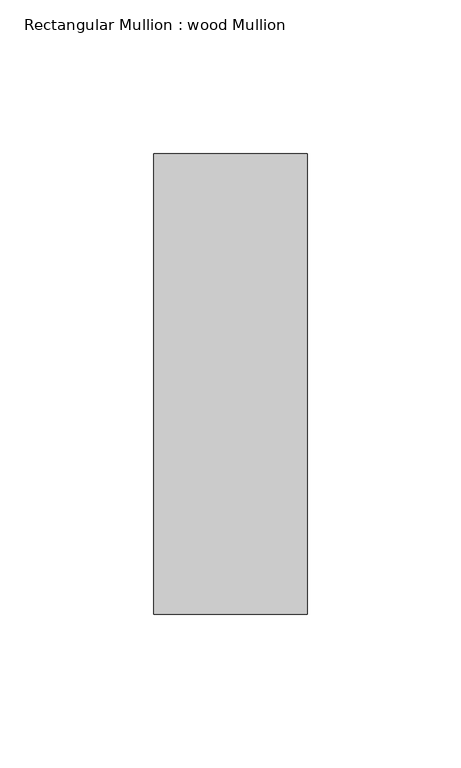
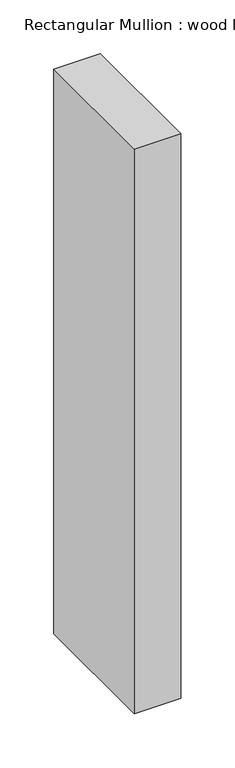
"""IFC4 building model written with IfcOpenShell, lengths in millimetres: member geometry, Rectangular Mullion : wood Mullion."""

from ifc_helpers import new_model, si_unit, frame, origin, place, context, project, spatial, polyline, outline, extrude, source, transform, mapped, element, save


def rectangular_mullion_wood_mullion_62bde7b1(model_context):
    return source(origin(), model_context, "Body", "SweptSolid", [
        extrude(outline(polyline([(25.0, 75.0), (25.0, -75.0), (-25.0, -75.0), (-25.0, 75.0), (25.0, 75.0)])), frame((0.0, 0.0, -641.6666667), z_axis=(0.0, 0.0, 1.0), x_axis=(1.0, 0.0, 0.0)), (0.0, 0.0, 1.0), 641.6666667),
    ])


if __name__ == "__main__":
    model = new_model("IFC4")
    model_context = context("Model", 3, world=origin())
    ifc_project = project(units=[si_unit("LENGTHUNIT", "METRE", prefix="MILLI")], contexts=[model_context])
    site = spatial("IfcSite", under=ifc_project)
    building = spatial("IfcBuilding", under=site)
    placement = place(None, origin())
    rectangular_mullion_wood_mullion_shape = rectangular_mullion_wood_mullion_62bde7b1(model_context)
    element("IfcMember", 1, ObjectType="Rectangular Mullion : wood Mullion", at=placement, inside=building, context=model_context, shape_type="MappedRepresentation", body=[
        mapped(rectangular_mullion_wood_mullion_shape, transform((0.0, 0.0, 0.0), x_axis=(1.0, 0.0, 0.0), y_axis=(0.0, 1.0, 0.0), z_axis=(0.0, 0.0, 1.0))),
    ])
    save(model, "model.ifc")
